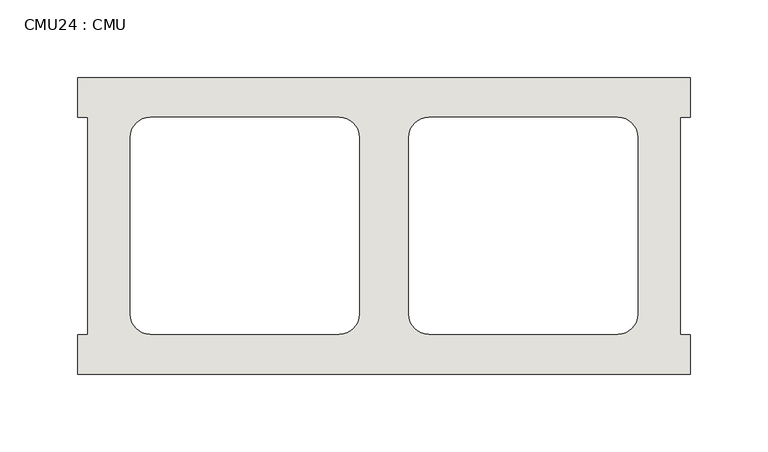
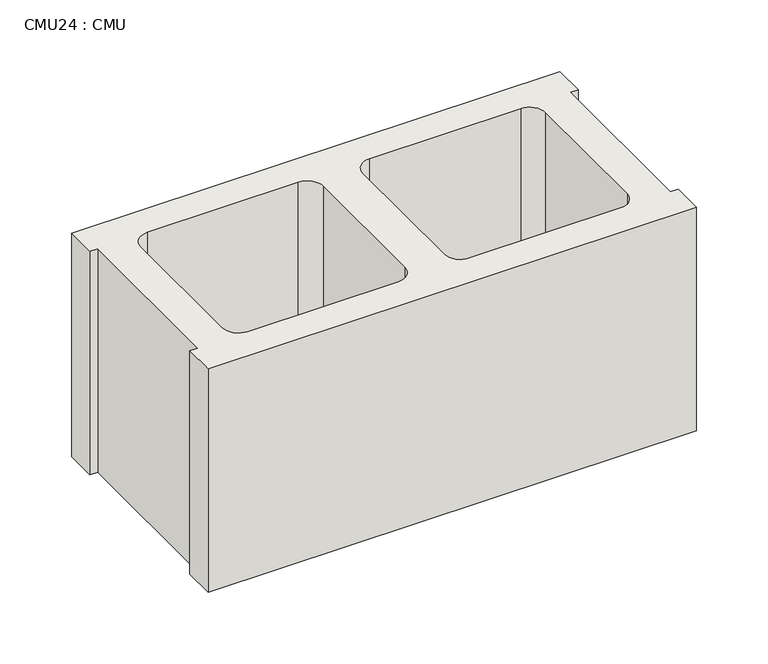
"""IFC4 building model written with IfcOpenShell, lengths in millimetres: wall geometry, CMU24 : CMU."""

from ifc_helpers import new_model, si_unit, point, frame_2d, origin, origin_with_axes, place, context, project, spatial, polyline, circle_curve, trimmed, segment, composite_curve, outline, extrude, source, transform, mapped, element, save


def cmu24_cmu_6485167c(model_context):
    return source(origin(), model_context, "Body", "SweptSolid", [
        extrude(outline(polyline([(977.6060968, 2871.3003704), (1371.3060968, 2871.3003704), (1371.3060968, 2845.9003704), (1364.9560968, 2845.9003704), (1364.9560968, 2706.2003704), (1371.3060968, 2706.2003704), (1371.3060968, 2680.8003704), (977.6060968, 2680.8003704), (977.6060968, 2706.2003704), (983.9560968, 2706.2003704), (983.9560968, 2845.9003704), (977.6060968, 2845.9003704), (977.6060968, 2871.3003704)]), holes=[composite_curve([segment(polyline([(1145.7740955, 2845.9003704), (1024.0574454, 2845.9003704)]), True, "CONTINUOUS"), segment(trimmed(circle_curve(frame_2d((1024.0574454, 2833.2003704)), 12.7), [point((1024.0574454, 2845.9003704))], [point((1011.3574454, 2833.2003704))], True, "CARTESIAN"), True, "CONTINUOUS"), segment(polyline([(1011.3574454, 2833.2003704), (1011.3574454, 2719.1345307)]), True, "CONTINUOUS"), segment(trimmed(circle_curve(frame_2d((1024.0574454, 2719.1345307)), 12.7), [point((1011.3574454, 2719.1345307))], [point((1024.0574454, 2706.4345307))], True, "CARTESIAN"), True, "CONTINUOUS"), segment(polyline([(1024.0574454, 2706.4345307), (1145.7740955, 2706.4345307)]), True, "CONTINUOUS"), segment(trimmed(circle_curve(frame_2d((1145.7740955, 2719.1345307)), 12.7), [point((1145.7740955, 2706.4345307))], [point((1158.4740955, 2719.1345307))], True, "CARTESIAN"), True, "CONTINUOUS"), segment(polyline([(1158.4740955, 2719.1345307), (1158.4740955, 2833.2003704)]), True, "CONTINUOUS"), segment(trimmed(circle_curve(frame_2d((1145.7740955, 2833.2003704)), 12.7), [point((1158.4740955, 2833.2003704))], [point((1145.7740955, 2845.9003704))], True, "CARTESIAN"), True, "CONTINUOUS")], self_intersect=False), composite_curve([segment(trimmed(circle_curve(frame_2d((1203.1380982, 2833.2003704)), 12.7), [point((1203.1380982, 2845.9003704))], [point((1190.4380982, 2833.2003704))], True, "CARTESIAN"), True, "CONTINUOUS"), segment(polyline([(1190.4380982, 2833.2003704), (1190.4380982, 2719.1345307)]), True, "CONTINUOUS"), segment(trimmed(circle_curve(frame_2d((1203.1380982, 2719.1345307)), 12.7), [point((1190.4380982, 2719.1345307))], [point((1203.1380982, 2706.4345307))], True, "CARTESIAN"), True, "CONTINUOUS"), segment(polyline([(1203.1380982, 2706.4345307), (1324.8547483, 2706.4345307)]), True, "CONTINUOUS"), segment(trimmed(circle_curve(frame_2d((1324.8547483, 2719.1345307)), 12.7), [point((1324.8547483, 2706.4345307))], [point((1337.5547483, 2719.1345307))], True, "CARTESIAN"), True, "CONTINUOUS"), segment(polyline([(1337.5547483, 2719.1345307), (1337.5547483, 2833.2003704)]), True, "CONTINUOUS"), segment(trimmed(circle_curve(frame_2d((1324.8547483, 2833.2003704)), 12.7), [point((1337.5547483, 2833.2003704))], [point((1324.8547483, 2845.9003704))], True, "CARTESIAN"), True, "CONTINUOUS"), segment(polyline([(1324.8547483, 2845.9003704), (1203.1380982, 2845.9003704)]), True, "CONTINUOUS")], self_intersect=False)]), origin_with_axes(), (0.0, 0.0, 1.0), 190.5),
    ])


if __name__ == "__main__":
    model = new_model("IFC4")
    model_context = context("Model", 3, world=origin())
    ifc_project = project(units=[si_unit("LENGTHUNIT", "METRE", prefix="MILLI")], contexts=[model_context])
    site = spatial("IfcSite", under=ifc_project)
    building = spatial("IfcBuilding", under=site)
    placement = place(None, origin())
    cmu24_cmu_shape = cmu24_cmu_6485167c(model_context)
    element("IfcWall", 1, ObjectType="CMU24 : CMU", at=placement, inside=building, context=model_context, shape_type="MappedRepresentation", body=[
        mapped(cmu24_cmu_shape, transform((0.0, 0.0, 0.0), x_axis=(1.0, 0.0, 0.0), y_axis=(0.0, 1.0, 0.0), z_axis=(0.0, 0.0, 1.0))),
    ])
    save(model, "model.ifc")
